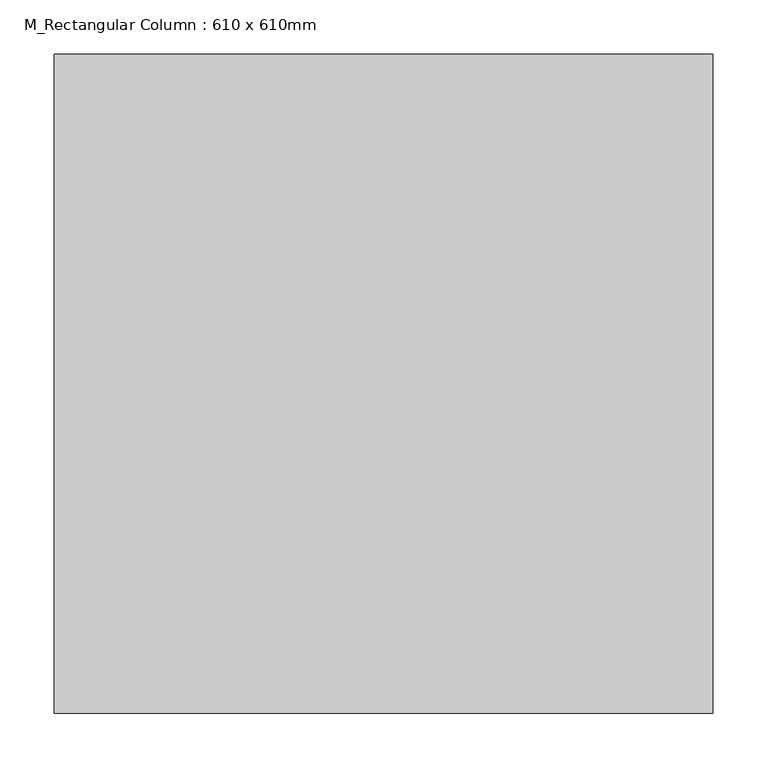
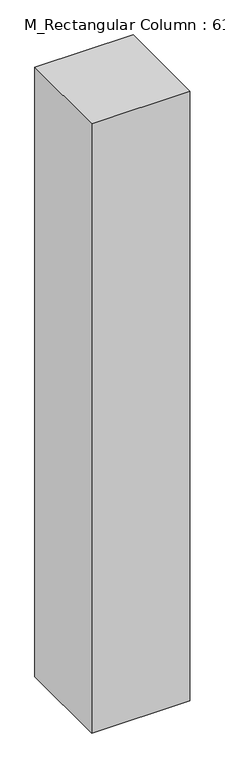
"""IFC4 building model written with IfcOpenShell, lengths in millimetres: column geometry, M_Rectangular Column : 610 x 610mm."""

import ifcopenshell
import ifcopenshell.guid

model = None  # the IFC model being written
_history = None  # IfcOwnerHistory: only IFC2X3 demands one
_inside = {}  # id of a spatial element -> (the spatial element, [elements in it])
_under = {}  # id of a project, library or spatial element -> (it, [spatial elements below it])
_declared = {}  # id of a project -> (the project, [libraries it declares])
_typed = {}  # id of a type object -> (the type object, [elements of that type])
_made_of = {}  # id of a material, layer set ... -> (it, [elements and type objects made of it])


def new_model(schema):
    """Start an empty IFC model of exactly this schema.

    Asked for "IFC4X3", IfcOpenShell would pick the latest addendum, in which some entities
    have other attributes; the version numbers below select the first issue.
    IFC2X3 requires an IfcOwnerHistory on every rooted entity: one is made here for all.
    """
    global model, _history
    if schema == "IFC4X3":
        model = ifcopenshell.file(schema_version=(4, 3, 0, 0))
    else:
        model = ifcopenshell.file(schema=schema)
    _inside.clear()
    _under.clear()
    _declared.clear()
    _typed.clear()
    _made_of.clear()
    _history = None
    if model.schema == "IFC2X3":
        org = make("IfcOrganization", Name="unknown")
        user = make(
            "IfcPersonAndOrganization",
            ThePerson=make("IfcPerson", FamilyName="unknown"),
            TheOrganization=org,
        )
        app = make(
            "IfcApplication",
            ApplicationDeveloper=org,
            Version="unknown",
            ApplicationFullName="unknown",
            ApplicationIdentifier="unknown",
        )
        _history = make(
            "IfcOwnerHistory",
            OwningUser=user,
            OwningApplication=app,
            ChangeAction="ADDED",
            CreationDate=0,
        )
    return model


def make(cls, **values):
    """One entity of the class cls with the attributes given. An attribute that is None is left unset."""
    return model.create_entity(
        cls, **{name: value for name, value in values.items() if value is not None}
    )


def rooted(cls, **values):
    """An entity with a GlobalId (a new one), such as an element, a storey or a relation."""
    return make(cls, GlobalId=ifcopenshell.guid.new(), OwnerHistory=_history, **values)


def si_unit(unit_type, name, prefix=None):
    """IfcSIUnit, for example si_unit("LENGTHUNIT", "METRE", prefix="MILLI")."""
    return make("IfcSIUnit", UnitType=unit_type, Prefix=prefix, Name=name)


def assignment(units):
    """IfcUnitAssignment: the units of a project."""
    return None if units is None else make("IfcUnitAssignment", Units=units)


def point(xyz):
    """IfcCartesianPoint."""
    return None if xyz is None else make("IfcCartesianPoint", Coordinates=xyz)


def direction(xyz):
    """IfcDirection."""
    return None if xyz is None else make("IfcDirection", DirectionRatios=xyz)


def frame(location, z_axis=None, x_axis=None):
    """IfcAxis2Placement3D, a coordinate frame: its origin and axes. An axis left out is left unset."""
    return make(
        "IfcAxis2Placement3D",
        Location=point(location),
        Axis=direction(z_axis),
        RefDirection=direction(x_axis),
    )


def origin():
    """The frame at (0, 0, 0) with its axes left unset."""
    return frame((0.0, 0.0, 0.0))


def origin_with_axes():
    """The frame at (0, 0, 0) with the z axis (0, 0, 1) and the x axis (1, 0, 0) written out."""
    return frame((0.0, 0.0, 0.0), z_axis=(0.0, 0.0, 1.0), x_axis=(1.0, 0.0, 0.0))


def place(relative_to, where):
    """IfcLocalPlacement: puts the frame where relative to a parent placement (None: the world)."""
    return make(
        "IfcLocalPlacement", PlacementRelTo=relative_to, RelativePlacement=where
    )


def context(
    kind, dimensions, precision=None, world=None, true_north=None, identifier=None
):
    """IfcGeometricRepresentationContext, for example the 3D "Model" context."""
    return make(
        "IfcGeometricRepresentationContext",
        ContextIdentifier=identifier,
        ContextType=kind,
        CoordinateSpaceDimension=dimensions,
        Precision=precision,
        WorldCoordinateSystem=world,
        TrueNorth=true_north,
    )


def project(units=None, contexts=None):
    """IfcProject with its units and contexts."""
    return rooted(
        "IfcProject",
        Name="project",
        RepresentationContexts=contexts,
        UnitsInContext=assignment(units),
    )


def spatial(cls, under=None, at=None, **own):
    """A site, building, storey or space (cls), placed at a placement, below another one or the project."""
    s = rooted(cls, ObjectPlacement=at, **own)
    if under is not None:
        _under.setdefault(under.id(), (under, []))[1].append(s)
    return s


def polyline(points):
    """IfcPolyline through the points."""
    return make("IfcPolyline", Points=[point(p) for p in points])


def outline(outer, holes=None, kind="AREA"):
    """IfcArbitraryClosedProfileDef: a profile drawn as a closed curve; with holes, ...WithVoids."""
    if holes is None:
        return make("IfcArbitraryClosedProfileDef", ProfileType=kind, OuterCurve=outer)
    return make(
        "IfcArbitraryProfileDefWithVoids",
        ProfileType=kind,
        OuterCurve=outer,
        InnerCurves=holes,
    )


def extrude(swept, where, along, depth):
    """IfcExtrudedAreaSolid: the profile swept, set in the frame where, extruded along a direction by depth."""
    return make(
        "IfcExtrudedAreaSolid",
        SweptArea=swept,
        Position=where,
        ExtrudedDirection=direction(along),
        Depth=depth,
    )


def shape(context_of_items, identifier, shape_type, items):
    """IfcShapeRepresentation: the items that make up one representation, for example the "Body"."""
    return make(
        "IfcShapeRepresentation",
        ContextOfItems=context_of_items,
        RepresentationIdentifier=identifier,
        RepresentationType=shape_type,
        Items=items,
    )


def source(mapping_origin, context_of_items, identifier, shape_type, items):
    """IfcRepresentationMap: a shape defined once, which mapped items show again and again."""
    return make(
        "IfcRepresentationMap",
        MappingOrigin=mapping_origin,
        MappedRepresentation=shape(context_of_items, identifier, shape_type, items),
    )


def transform(
    local_origin,
    x_axis=None,
    y_axis=None,
    z_axis=None,
    scale=None,
    scale2=None,
    scale3=None,
    uniform=True,
):
    """IfcCartesianTransformationOperator3D, or its non-uniform kind. x_axis, y_axis, z_axis: its Axis1, 2, 3."""
    if uniform:
        return make(
            "IfcCartesianTransformationOperator3D",
            Axis1=direction(x_axis),
            Axis2=direction(y_axis),
            LocalOrigin=point(local_origin),
            Scale=scale,
            Axis3=direction(z_axis),
        )
    return make(
        "IfcCartesianTransformationOperator3DnonUniform",
        Axis1=direction(x_axis),
        Axis2=direction(y_axis),
        LocalOrigin=point(local_origin),
        Scale=scale,
        Axis3=direction(z_axis),
        Scale2=scale2,
        Scale3=scale3,
    )


def mapped(mapping_source, mapping_target):
    """IfcMappedItem: shows the shape of a source again, moved by a transform."""
    return make(
        "IfcMappedItem", MappingSource=mapping_source, MappingTarget=mapping_target
    )


def made_of(thing, what):
    """Note that an element or type object is made of a material, layer set ...; save() writes the relation."""
    if what is not None:
        _made_of.setdefault(what.id(), (what, []))[1].append(thing)
    return thing


def element(
    cls,
    number,
    at=None,
    inside=None,
    cuts=None,
    type_object=None,
    material=None,
    context=None,
    identifier="Body",
    shape_type=None,
    held_by="IfcProductDefinitionShape",
    body=None,
    shapes=None,
    **own,
):
    """One element of the class cls, such as IfcWall. Its Tag is "e" and its number.

    at: its placement. inside: the storey or other place that contains it. cuts: it is an
    opening in that element (IfcRelVoidsElement). A single representation is given by context,
    identifier, shape_type and body (its items); several are given by shapes. held_by: the class
    of the entity that holds the representations. save() writes the other relations.
    """
    e = rooted(cls, Tag="e%d" % number, ObjectPlacement=at, **own)
    if body is not None:
        shapes = [shape(context, identifier, shape_type, body)]
    if shapes is not None:
        e.Representation = make(held_by, Representations=shapes)
    if inside is not None:
        _inside.setdefault(inside.id(), (inside, []))[1].append(e)
    if cuts is not None:
        rooted(
            "IfcRelVoidsElement", RelatingBuildingElement=cuts, RelatedOpeningElement=e
        )
    if type_object is not None:
        _typed.setdefault(type_object.id(), (type_object, []))[1].append(e)
    return made_of(e, material)


def aggregate(whole, parts):
    """IfcRelAggregates: a whole, such as a stair, and the parts it consists of."""
    return rooted("IfcRelAggregates", RelatingObject=whole, RelatedObjects=parts)


def save(model, path):
    """Write the relations noted so far, then the file.

    IfcRelAggregates (storeys below a building ...), IfcRelContainedInSpatialStructure (elements
    in a storey), IfcRelDefinesByType, IfcRelAssociatesMaterial and IfcRelDeclares: one each for
    every whole, place, type object, material and project.
    """
    for whole, parts in _under.values():
        aggregate(whole, parts)
    for where, things in _inside.values():
        rooted(
            "IfcRelContainedInSpatialStructure",
            RelatedElements=things,
            RelatingStructure=where,
        )
    for kind, things in _typed.values():
        rooted("IfcRelDefinesByType", RelatedObjects=things, RelatingType=kind)
    for what, things in _made_of.values():
        rooted("IfcRelAssociatesMaterial", RelatedObjects=things, RelatingMaterial=what)
    for by, libraries in _declared.values():
        rooted("IfcRelDeclares", RelatingContext=by, RelatedDefinitions=libraries)
    model.write(path)


def m_rectangular_column_610_x_610mm_cb2de565(model_context):
    return source(origin(), model_context, "Body", "SweptSolid", [
        extrude(outline(polyline([(305.0, 305.0), (305.0, -305.0), (-305.0, -305.0), (-305.0, 305.0), (305.0, 305.0)])), origin_with_axes(), (0.0, 0.0, 1.0), 4000.0),
    ])


if __name__ == "__main__":
    model = new_model("IFC4")
    model_context = context("Model", 3, world=origin())
    ifc_project = project(units=[si_unit("LENGTHUNIT", "METRE", prefix="MILLI")], contexts=[model_context])
    site = spatial("IfcSite", under=ifc_project)
    building = spatial("IfcBuilding", under=site)
    placement = place(None, origin())
    m_rectangular_column_610_x_610mm_shape = m_rectangular_column_610_x_610mm_cb2de565(model_context)
    element("IfcColumn", 1, ObjectType="M_Rectangular Column : 610 x 610mm", at=placement, inside=building, context=model_context, shape_type="MappedRepresentation", body=[
        mapped(m_rectangular_column_610_x_610mm_shape, transform((0.0, 0.0, 0.0), x_axis=(1.0, 0.0, 0.0), y_axis=(0.0, 1.0, 0.0), z_axis=(0.0, 0.0, 1.0))),
    ])
    save(model, "model.ifc")
